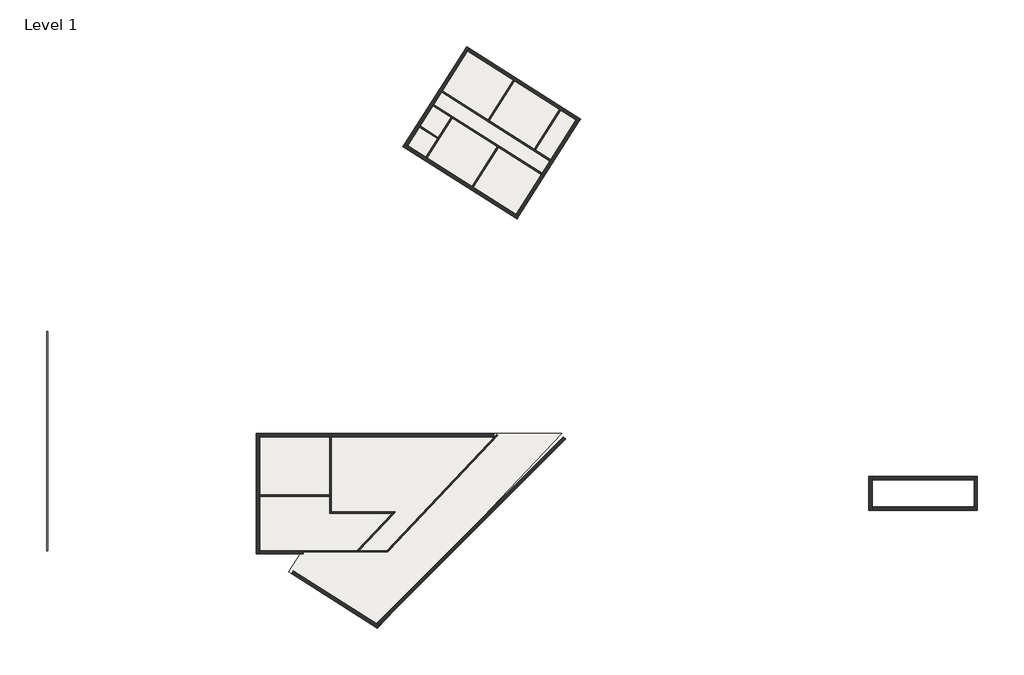
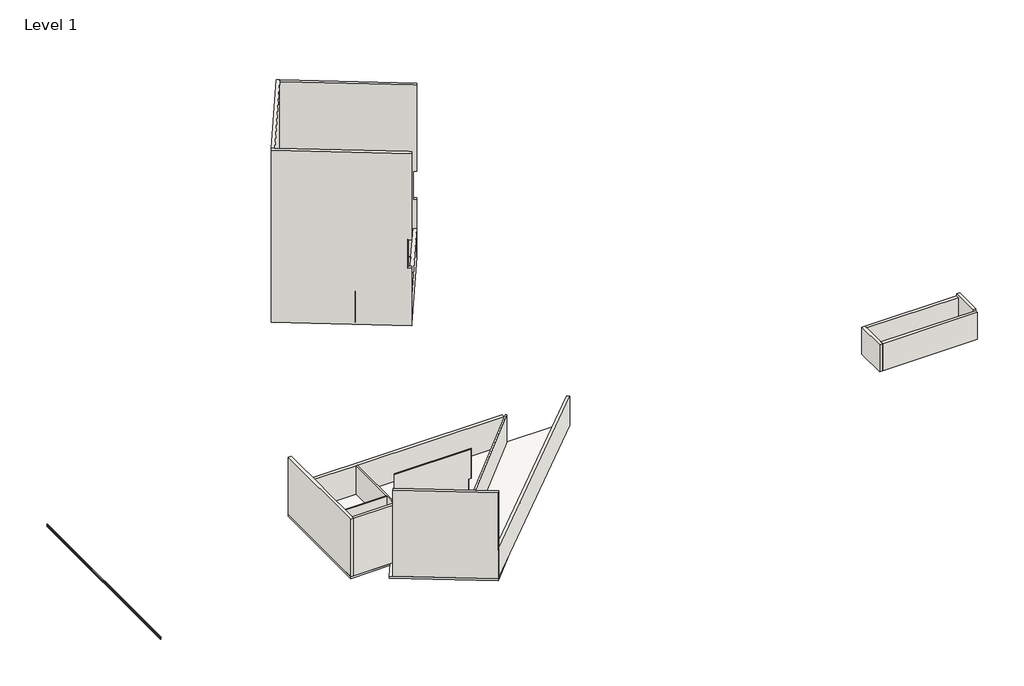
# One storey: 26 walls, 2 slabs, 1 beam.
"""IFC4 building model written with IfcOpenShell, lengths in millimetres."""

import ifcopenshell
import ifcopenshell.guid

model = None  # the IFC model being written
_history = None  # IfcOwnerHistory: only IFC2X3 demands one
_inside = {}  # id of a spatial element -> (the spatial element, [elements in it])
_under = {}  # id of a project, library or spatial element -> (it, [spatial elements below it])
_declared = {}  # id of a project -> (the project, [libraries it declares])
_typed = {}  # id of a type object -> (the type object, [elements of that type])
_made_of = {}  # id of a material, layer set ... -> (it, [elements and type objects made of it])


def new_model(schema):
    """Start an empty IFC model of exactly this schema.

    Asked for "IFC4X3", IfcOpenShell would pick the latest addendum, in which some entities
    have other attributes; the version numbers below select the first issue.
    IFC2X3 requires an IfcOwnerHistory on every rooted entity: one is made here for all.
    """
    global model, _history
    if schema == "IFC4X3":
        model = ifcopenshell.file(schema_version=(4, 3, 0, 0))
    else:
        model = ifcopenshell.file(schema=schema)
    _inside.clear()
    _under.clear()
    _declared.clear()
    _typed.clear()
    _made_of.clear()
    _history = None
    if model.schema == "IFC2X3":
        org = make("IfcOrganization", Name="unknown")
        user = make(
            "IfcPersonAndOrganization",
            ThePerson=make("IfcPerson", FamilyName="unknown"),
            TheOrganization=org,
        )
        app = make(
            "IfcApplication",
            ApplicationDeveloper=org,
            Version="unknown",
            ApplicationFullName="unknown",
            ApplicationIdentifier="unknown",
        )
        _history = make(
            "IfcOwnerHistory",
            OwningUser=user,
            OwningApplication=app,
            ChangeAction="ADDED",
            CreationDate=0,
        )
    return model


def make(cls, **values):
    """One entity of the class cls with the attributes given. An attribute that is None is left unset."""
    return model.create_entity(
        cls, **{name: value for name, value in values.items() if value is not None}
    )


def rooted(cls, **values):
    """An entity with a GlobalId (a new one), such as an element, a storey or a relation."""
    return make(cls, GlobalId=ifcopenshell.guid.new(), OwnerHistory=_history, **values)


def si_unit(unit_type, name, prefix=None):
    """IfcSIUnit, for example si_unit("LENGTHUNIT", "METRE", prefix="MILLI")."""
    return make("IfcSIUnit", UnitType=unit_type, Prefix=prefix, Name=name)


def assignment(units):
    """IfcUnitAssignment: the units of a project."""
    return None if units is None else make("IfcUnitAssignment", Units=units)


def point(xyz):
    """IfcCartesianPoint."""
    return None if xyz is None else make("IfcCartesianPoint", Coordinates=xyz)


def direction(xyz):
    """IfcDirection."""
    return None if xyz is None else make("IfcDirection", DirectionRatios=xyz)


def frame(location, z_axis=None, x_axis=None):
    """IfcAxis2Placement3D, a coordinate frame: its origin and axes. An axis left out is left unset."""
    return make(
        "IfcAxis2Placement3D",
        Location=point(location),
        Axis=direction(z_axis),
        RefDirection=direction(x_axis),
    )


def frame_2d(location, x_axis=None):
    """IfcAxis2Placement2D, a coordinate frame in the plane: its origin and x axis."""
    return make(
        "IfcAxis2Placement2D", Location=point(location), RefDirection=direction(x_axis)
    )


def origin():
    """The frame at (0, 0, 0) with its axes left unset."""
    return frame((0.0, 0.0, 0.0))


def origin_with_axes():
    """The frame at (0, 0, 0) with the z axis (0, 0, 1) and the x axis (1, 0, 0) written out."""
    return frame((0.0, 0.0, 0.0), z_axis=(0.0, 0.0, 1.0), x_axis=(1.0, 0.0, 0.0))


def place(relative_to, where):
    """IfcLocalPlacement: puts the frame where relative to a parent placement (None: the world)."""
    return make(
        "IfcLocalPlacement", PlacementRelTo=relative_to, RelativePlacement=where
    )


def context(
    kind, dimensions, precision=None, world=None, true_north=None, identifier=None
):
    """IfcGeometricRepresentationContext, for example the 3D "Model" context."""
    return make(
        "IfcGeometricRepresentationContext",
        ContextIdentifier=identifier,
        ContextType=kind,
        CoordinateSpaceDimension=dimensions,
        Precision=precision,
        WorldCoordinateSystem=world,
        TrueNorth=true_north,
    )


def project(units=None, contexts=None):
    """IfcProject with its units and contexts."""
    return rooted(
        "IfcProject",
        Name="project",
        RepresentationContexts=contexts,
        UnitsInContext=assignment(units),
    )


def spatial(cls, under=None, at=None, **own):
    """A site, building, storey or space (cls), placed at a placement, below another one or the project."""
    s = rooted(cls, ObjectPlacement=at, **own)
    if under is not None:
        _under.setdefault(under.id(), (under, []))[1].append(s)
    return s


def polyline(points):
    """IfcPolyline through the points."""
    return make("IfcPolyline", Points=[point(p) for p in points])


def circle_curve(where, radius):
    """IfcCircle in the frame where."""
    return make("IfcCircle", Position=where, Radius=radius)


def trimmed(basis, trim1, trim2, sense, master):
    """IfcTrimmedCurve: the piece of a basis curve between two trims."""
    return make(
        "IfcTrimmedCurve",
        BasisCurve=basis,
        Trim1=trim1,
        Trim2=trim2,
        SenseAgreement=sense,
        MasterRepresentation=master,
    )


def segment(curve, same_sense, transition):
    """IfcCompositeCurveSegment."""
    return make(
        "IfcCompositeCurveSegment",
        Transition=transition,
        SameSense=same_sense,
        ParentCurve=curve,
    )


def composite_curve(segments, self_intersect=None):
    """IfcCompositeCurve: segments joined end to end."""
    return make("IfcCompositeCurve", Segments=segments, SelfIntersect=self_intersect)


def outline(outer, holes=None, kind="AREA"):
    """IfcArbitraryClosedProfileDef: a profile drawn as a closed curve; with holes, ...WithVoids."""
    if holes is None:
        return make("IfcArbitraryClosedProfileDef", ProfileType=kind, OuterCurve=outer)
    return make(
        "IfcArbitraryProfileDefWithVoids",
        ProfileType=kind,
        OuterCurve=outer,
        InnerCurves=holes,
    )


def extrude(swept, where, along, depth):
    """IfcExtrudedAreaSolid: the profile swept, set in the frame where, extruded along a direction by depth."""
    return make(
        "IfcExtrudedAreaSolid",
        SweptArea=swept,
        Position=where,
        ExtrudedDirection=direction(along),
        Depth=depth,
    )


def faces_of(points, faces, orient=None, outer=None):
    """IfcFace entities. A face is a list of loops; a loop is a list of indices into points, from 0.

    orient and outer hold one flag for each loop. By default every Orientation is true, the
    first loop of a face is its IfcFaceOuterBound and the others are IfcFaceBound.
    """
    made = []
    for i, loops in enumerate(faces):
        bounds = []
        for j, loop in enumerate(loops):
            is_outer = j == 0 if outer is None else outer[i][j]
            bounds.append(
                make(
                    "IfcFaceOuterBound" if is_outer else "IfcFaceBound",
                    Bound=make("IfcPolyLoop", Polygon=[points[k] for k in loop]),
                    Orientation=True if orient is None else orient[i][j],
                )
            )
        made.append(make("IfcFace", Bounds=bounds))
    return made


def faceted_brep(points, faces, orient=None, outer=None, voids=None):
    """IfcFacetedBrep: a solid bounded by flat faces; with voids (closed shells), ...WithVoids."""
    shared = [point(p) for p in points]
    hull = make("IfcClosedShell", CfsFaces=faces_of(shared, faces, orient, outer))
    if voids is None:
        return make("IfcFacetedBrep", Outer=hull)
    return make(
        "IfcFacetedBrepWithVoids",
        Outer=hull,
        Voids=[
            make(cls, CfsFaces=faces_of(shared, fs, o, b)) for cls, fs, o, b in voids
        ],
    )


def shape(context_of_items, identifier, shape_type, items):
    """IfcShapeRepresentation: the items that make up one representation, for example the "Body"."""
    return make(
        "IfcShapeRepresentation",
        ContextOfItems=context_of_items,
        RepresentationIdentifier=identifier,
        RepresentationType=shape_type,
        Items=items,
    )


def source(mapping_origin, context_of_items, identifier, shape_type, items):
    """IfcRepresentationMap: a shape defined once, which mapped items show again and again."""
    return make(
        "IfcRepresentationMap",
        MappingOrigin=mapping_origin,
        MappedRepresentation=shape(context_of_items, identifier, shape_type, items),
    )


def transform(
    local_origin,
    x_axis=None,
    y_axis=None,
    z_axis=None,
    scale=None,
    scale2=None,
    scale3=None,
    uniform=True,
):
    """IfcCartesianTransformationOperator3D, or its non-uniform kind. x_axis, y_axis, z_axis: its Axis1, 2, 3."""
    if uniform:
        return make(
            "IfcCartesianTransformationOperator3D",
            Axis1=direction(x_axis),
            Axis2=direction(y_axis),
            LocalOrigin=point(local_origin),
            Scale=scale,
            Axis3=direction(z_axis),
        )
    return make(
        "IfcCartesianTransformationOperator3DnonUniform",
        Axis1=direction(x_axis),
        Axis2=direction(y_axis),
        LocalOrigin=point(local_origin),
        Scale=scale,
        Axis3=direction(z_axis),
        Scale2=scale2,
        Scale3=scale3,
    )


def mapped(mapping_source, mapping_target):
    """IfcMappedItem: shows the shape of a source again, moved by a transform."""
    return make(
        "IfcMappedItem", MappingSource=mapping_source, MappingTarget=mapping_target
    )


def made_of(thing, what):
    """Note that an element or type object is made of a material, layer set ...; save() writes the relation."""
    if what is not None:
        _made_of.setdefault(what.id(), (what, []))[1].append(thing)
    return thing


def element(
    cls,
    number,
    at=None,
    inside=None,
    cuts=None,
    type_object=None,
    material=None,
    context=None,
    identifier="Body",
    shape_type=None,
    held_by="IfcProductDefinitionShape",
    body=None,
    shapes=None,
    **own,
):
    """One element of the class cls, such as IfcWall. Its Tag is "e" and its number.

    at: its placement. inside: the storey or other place that contains it. cuts: it is an
    opening in that element (IfcRelVoidsElement). A single representation is given by context,
    identifier, shape_type and body (its items); several are given by shapes. held_by: the class
    of the entity that holds the representations. save() writes the other relations.
    """
    e = rooted(cls, Tag="e%d" % number, ObjectPlacement=at, **own)
    if body is not None:
        shapes = [shape(context, identifier, shape_type, body)]
    if shapes is not None:
        e.Representation = make(held_by, Representations=shapes)
    if inside is not None:
        _inside.setdefault(inside.id(), (inside, []))[1].append(e)
    if cuts is not None:
        rooted(
            "IfcRelVoidsElement", RelatingBuildingElement=cuts, RelatedOpeningElement=e
        )
    if type_object is not None:
        _typed.setdefault(type_object.id(), (type_object, []))[1].append(e)
    return made_of(e, material)


def aggregate(whole, parts):
    """IfcRelAggregates: a whole, such as a stair, and the parts it consists of."""
    return rooted("IfcRelAggregates", RelatingObject=whole, RelatedObjects=parts)


def save(model, path):
    """Write the relations noted so far, then the file.

    IfcRelAggregates (storeys below a building ...), IfcRelContainedInSpatialStructure (elements
    in a storey), IfcRelDefinesByType, IfcRelAssociatesMaterial and IfcRelDeclares: one each for
    every whole, place, type object, material and project.
    """
    for whole, parts in _under.values():
        aggregate(whole, parts)
    for where, things in _inside.values():
        rooted(
            "IfcRelContainedInSpatialStructure",
            RelatedElements=things,
            RelatingStructure=where,
        )
    for kind, things in _typed.values():
        rooted("IfcRelDefinesByType", RelatedObjects=things, RelatingType=kind)
    for what, things in _made_of.values():
        rooted("IfcRelAssociatesMaterial", RelatedObjects=things, RelatingMaterial=what)
    for by, libraries in _declared.values():
        rooted("IfcRelDeclares", RelatingContext=by, RelatedDefinitions=libraries)
    model.write(path)


def w_shapes_w12x26_640597d2(model_context):
    return source(origin(), model_context, "Body", "SweptSolid", [
        extrude(outline(composite_curve([segment(polyline([(82.423, -145.288), (82.423, -154.94), (-82.423, -154.94), (-82.423, -145.288), (-10.541, -145.288)]), True, "CONTINUOUS"), segment(trimmed(circle_curve(frame_2d((-10.541, -137.668)), 7.62), [point((-10.541, -145.288))], [point((-2.921, -137.668))], True, "CARTESIAN"), True, "CONTINUOUS"), segment(polyline([(-2.921, -137.668), (-2.921, 137.668)]), True, "CONTINUOUS"), segment(trimmed(circle_curve(frame_2d((-10.541, 137.668)), 7.62), [point((-2.921, 137.668))], [point((-10.541, 145.288))], True, "CARTESIAN"), True, "CONTINUOUS"), segment(polyline([(-10.541, 145.288), (-82.423, 145.288), (-82.423, 154.94), (82.423, 154.94), (82.423, 145.288), (10.541, 145.288)]), True, "CONTINUOUS"), segment(trimmed(circle_curve(frame_2d((10.541, 137.668)), 7.62), [point((10.541, 145.288))], [point((2.921, 137.668))], True, "CARTESIAN"), True, "CONTINUOUS"), segment(polyline([(2.921, 137.668), (2.921, -137.668)]), True, "CONTINUOUS"), segment(trimmed(circle_curve(frame_2d((10.541, -137.668)), 7.62), [point((2.921, -137.668))], [point((10.541, -145.288))], True, "CARTESIAN"), True, "CONTINUOUS"), segment(polyline([(10.541, -145.288), (82.423, -145.288)]), True, "CONTINUOUS")], self_intersect=False)), frame((-15849.6, 0.0, 0.0), z_axis=(1.0, 0.0, 0.0), x_axis=(0.0, 1.0, 0.0)), (0.0, 0.0, 1.0), 31699.2),
    ])


model = new_model("IFC4")

# Units and contexts
model_context = context("Model", 3, world=origin())
ifc_project = project(units=[si_unit("LENGTHUNIT", "METRE", prefix="MILLI")], contexts=[model_context])

# Site, building, storey
site = spatial("IfcSite", under=ifc_project)
building = spatial("IfcBuilding", under=site)
storey = spatial("IfcBuildingStorey", under=building, Name="Level 1", Elevation=0.0)

# Beam
placement = place(None, origin())
w_shapes_w12x26_shape = w_shapes_w12x26_640597d2(model_context)
element("IfcBeam", 1, ObjectType="W Shapes : W12X26", at=placement, inside=storey, context=model_context, shape_type="MappedRepresentation", body=[
    mapped(w_shapes_w12x26_shape, transform((490088.0067164, 202673.5327561, -154.94), x_axis=(0.0, 1.0, 0.0), y_axis=(-1.0, 0.0, 0.0), z_axis=(0.0, 0.0, 1.0))),
])

# Slabs
element("IfcSlab", 2, ObjectType="Generic - 12\"", at=placement, inside=storey, context=model_context, shape_type="SweptSolid", body=[
    extrude(outline(polyline([(564572.8631411, 203791.6888691), (537826.9452772, 175607.2697277), (525031.0852086, 183736.4621652), (526677.8876472, 186328.6327561), (520320.3567164, 186328.6327561), (520320.3567164, 203791.6888691), (564572.8631411, 203791.6888691)])), frame((0.0, 0.0, -304.8), z_axis=(0.0, 0.0, 1.0), x_axis=(1.0, 0.0, 0.0)), (0.0, 0.0, 1.0), 304.8),
])
element("IfcSlab", 3, ObjectType="Generic - 12\"", at=placement, inside=storey, context=model_context, shape_type="SweptSolid", body=[
    extrude(outline(polyline([(566597.0857134, 249163.9606719), (557934.5228164, 235528.5419613), (542257.7475302, 245487.9759046), (550920.3104272, 259123.3946153), (566597.0857134, 249163.9606719)])), frame((0.0, 0.0, -304.8), z_axis=(0.0, 0.0, 1.0), x_axis=(1.0, 0.0, 0.0)), (0.0, 0.0, 1.0), 304.8),
])

# Walls
element("IfcWall", 4, ObjectType="Generic - 191/2\" Exterior", at=placement, inside=storey, context=model_context, shape_type="Brep", body=[
    faceted_brep([(520320.3567164, 203791.6888691, 9753.6), (520320.3567164, 203791.6888691, 0.0), (520320.3567164, 186328.6327561, 0.0), (520320.3567164, 186328.6327561, 9753.6), (520815.6567164, 203791.6888691, 0.0), (520815.6567164, 203791.6888691, 4876.8), (520815.6567164, 203791.6888691, 9448.8), (520815.6567164, 203791.6888691, 9753.6), (520815.6567164, 194869.9843829, 9753.6), (520815.6567164, 194666.7843829, 9753.6), (520815.6567164, 186823.9327561, 9753.6), (520815.6567164, 186328.6327561, 9753.6), (520815.6567164, 186328.6327561, 0.0), (520815.6567164, 186823.9327561, 0.0), (520815.6567164, 194666.7843829, 0.0), (520815.6567164, 194869.9843829, 0.0), (520815.6567164, 203296.3888691, 0.0)], [[[0, 1, 2, 3]], [[4, 5, 6, 7, 8, 9, 10, 11, 12, 13, 14, 15, 16]], [[2, 1, 4, 16, 15, 14, 13, 12]], [[0, 3, 11, 10, 9, 8, 7]], [[3, 2, 12, 11]], [[0, 7, 6, 5, 4, 1]]]),
])
element("IfcWall", 5, ObjectType="Generic - 191/2\" Exterior", at=placement, inside=storey, context=model_context, shape_type="Brep", body=[
    faceted_brep([(520815.6567164, 186328.6327561, 0.0), (527152.8488787, 186328.6327561, 0.0), (527152.8488787, 186328.6327561, 4876.8), (527287.834606, 186328.6327561, 4876.8), (527287.834606, 186328.6327561, 9753.6), (526698.5006766, 186328.6327561, 9753.6), (520815.6567164, 186328.6327561, 9753.6), (520815.6567164, 186823.9327561, 0.0), (520815.6567164, 186823.9327561, 9753.6), (527579.3518401, 186823.9327561, 9753.6), (527607.1970807, 186823.9327561, 9753.6), (527607.1970807, 186823.9327561, 4876.8), (527247.0198648, 186823.9327561, 4876.8), (527152.8488787, 186823.9327561, 4876.8), (527152.8488787, 186823.9327561, 0.0), (527476.1765782, 186620.7327561, 9753.6), (527476.1765782, 186620.7327561, 4876.8)], [[[0, 1, 2, 3, 4, 5, 6]], [[7, 8, 9, 10, 11, 12, 13, 14]], [[1, 0, 7, 14]], [[6, 5, 4, 15, 10, 9, 8]], [[0, 6, 8, 7]], [[2, 1, 14, 13]], [[11, 16, 3, 2, 13, 12]], [[4, 3, 16, 11, 10, 15]]]),
])
element("IfcWall", 6, ObjectType="Generic - 191/2\" Exterior", at=placement, inside=storey, context=model_context, shape_type="Brep", body=[
    faceted_brep([(525449.1522918, 183470.8647179, 0.0), (537805.4137082, 175620.9487041, 0.0), (537805.4137082, 175620.9487041, 4876.8), (537853.9522279, 175590.1122488, 4876.8), (537853.9522279, 175590.1122488, 14630.4), (525449.1522918, 183470.8647179, 14630.4), (525449.1522918, 183470.8647179, 9753.6), (525714.7497391, 183888.931801, 0.0), (525714.7497391, 183888.931801, 14630.4), (537701.4825921, 176273.7767792, 14630.4), (538119.5496752, 176008.1793319, 14630.4), (538119.5496752, 176008.1793319, 9753.6), (538119.5496752, 176008.1793319, 4876.8), (538164.2477256, 175979.7827215, 4876.8), (538164.2477256, 175979.7827215, 0.0), (537735.9100737, 176251.9050471, 0.0), (537992.2210094, 175807.7560053, 4876.8)], [[[0, 1, 2, 3, 4, 5, 6]], [[7, 8, 9, 10, 11, 12, 13, 14, 15]], [[1, 0, 7, 15, 14]], [[5, 4, 10, 9, 8]], [[12, 16, 13]], [[2, 1, 14, 13, 16]], [[0, 6, 5, 8, 7]], [[3, 16, 12, 11, 10, 4]], [[16, 3, 2]]]),
])
element("IfcWall", 7, ObjectType="Generic - 191/2\" Exterior", at=placement, inside=storey, context=model_context, shape_type="Brep", body=[
    faceted_brep([(520815.6567164, 203296.3888691, 0.0), (530982.2372882, 203296.3888691, 0.0), (531185.4372882, 203296.3888691, 0.0), (554705.6067164, 203296.3888691, 0.0), (554705.6067164, 203296.3888691, 4876.8), (531185.4372882, 203296.3888691, 4876.8), (530982.2372882, 203296.3888691, 4876.8), (520815.6567164, 203296.3888691, 4876.8), (520815.6567164, 203791.6888691, 0.0), (520815.6567164, 203791.6888691, 4876.8), (554705.6067164, 203791.6888691, 4876.8), (554705.6067164, 203791.6888691, 0.0)], [[[0, 1, 2, 3, 4, 5, 6, 7]], [[8, 9, 10, 11]], [[3, 2, 1, 0, 8, 11]], [[4, 3, 11, 10]], [[7, 6, 5, 4, 10, 9]], [[0, 7, 9, 8]]]),
])
element("IfcWall", 8, ObjectType="Generic - 191/2\" Exterior", at=placement, inside=storey, context=model_context, shape_type="Brep", body=[
    faceted_brep([(608948.2255041, 197556.494497, 0.0), (608948.2255041, 192641.594497, 0.0), (608948.2255041, 192641.594497, 4572.0), (608948.2255041, 197556.494497, 4572.0), (609443.5255041, 197556.494497, 0.0), (609443.5255041, 197556.494497, 4572.0), (609443.5255041, 197061.194497, 4572.0), (609443.5255041, 193136.894497, 4572.0), (609443.5255041, 192641.594497, 4572.0), (609443.5255041, 192641.594497, 0.0), (609443.5255041, 193136.894497, 0.0), (609443.5255041, 197061.194497, 0.0)], [[[0, 1, 2, 3]], [[4, 5, 6, 7, 8, 9, 10, 11]], [[1, 0, 4, 11, 10, 9]], [[2, 1, 9, 8]], [[0, 3, 5, 4]], [[3, 2, 8, 7, 6, 5]]]),
])
element("IfcWall", 9, ObjectType="Generic - 191/2\" Exterior", at=placement, inside=storey, context=model_context, shape_type="Brep", body=[
    faceted_brep([(609443.5255041, 192641.594497, 0.0), (624684.5803609, 192641.594497, 0.0), (624684.5803609, 192641.594497, 4572.0), (609443.5255041, 192641.594497, 4572.0), (609443.5255041, 193136.894497, 0.0), (609443.5255041, 193136.894497, 4572.0), (624684.5803609, 193136.894497, 4572.0), (624684.5803609, 193136.894497, 0.0), (624189.2803609, 193136.894497, 0.0)], [[[0, 1, 2, 3]], [[4, 5, 6, 7, 8]], [[1, 0, 4, 8, 7]], [[0, 3, 5, 4]], [[2, 1, 7, 6]], [[3, 2, 6, 5]]]),
])
element("IfcWall", 10, ObjectType="Generic - 191/2\" Exterior", at=placement, inside=storey, context=model_context, shape_type="Brep", body=[
    faceted_brep([(624684.5803609, 193136.894497, 0.0), (624684.5803609, 197556.494497, 0.0), (624684.5803609, 197556.494497, 4876.8), (624684.5803609, 193136.894497, 4876.8), (624684.5803609, 193136.894497, 4572.0), (624189.2803609, 193136.894497, 0.0), (624189.2803609, 193136.894497, 4876.8), (624189.2803609, 197556.494497, 4876.8), (624189.2803609, 197556.494497, 4572.0), (624189.2803609, 197556.494497, 0.0), (624189.2803609, 197061.194497, 0.0)], [[[0, 1, 2, 3, 4]], [[5, 6, 7, 8, 9, 10]], [[1, 0, 5, 10, 9]], [[3, 2, 7, 6]], [[0, 4, 3, 6, 5]], [[2, 1, 9, 8, 7]]]),
])
element("IfcWall", 11, ObjectType="Generic - 191/2\" Exterior", at=placement, inside=storey, context=model_context, shape_type="SweptSolid", body=[
    extrude(outline(polyline([(609443.5255041, 197556.494497), (624189.2803609, 197556.494497), (624189.2803609, 197061.194497), (609443.5255041, 197061.194497), (609443.5255041, 197556.494497)])), origin_with_axes(), (0.0, 0.0, 1.0), 4572.0),
])
element("IfcWall", 12, ObjectType="Generic - 191/2\" Exterior", at=placement, inside=storey, context=model_context, shape_type="Brep", body=[
    faceted_brep([(558352.5898995, 235262.944514, 9753.6), (558352.5898995, 235262.944514, 4876.8), (558352.5898995, 235262.944514, 0.0), (557934.5228164, 235528.5419613, 0.0), (551749.2739201, 239458.0221433, 0.0), (551577.7592193, 239566.9851986, 0.0), (545060.2005903, 243707.5813004, 0.0), (544888.6858896, 243816.5443557, 0.0), (542257.7475302, 245487.9759046, 0.0), (541839.6804471, 245753.5733519, 0.0), (541839.6804471, 245753.5733519, 29260.8), (542257.7475302, 245487.9759046, 29260.8), (557934.5228164, 235528.5419613, 29260.8), (558352.5898995, 235262.944514, 29260.8), (558352.5898995, 235262.944514, 24384.0), (558352.5898995, 235262.944514, 19507.2), (558352.5898995, 235262.944514, 14630.4), (557934.5228164, 235528.5419613, 14630.4), (557934.5228164, 235528.5419613, 9753.6), (558086.9924521, 234844.8774308, 0.0), (558086.9924521, 234844.8774308, 9753.6), (557668.925369, 235110.4748782, 9753.6), (557668.925369, 235110.4748782, 14630.4), (558086.9924521, 234844.8774308, 14630.4), (558086.9924521, 234844.8774308, 29260.8), (541574.0829998, 245335.5062688, 29260.8), (541574.0829998, 245335.5062688, 0.0)], [[[0, 1, 2, 3, 4, 5, 6, 7, 8, 9, 10, 11, 12, 13, 14, 15, 16, 17, 18]], [[19, 20, 21, 22, 23, 24, 25, 26]], [[9, 8, 7, 6, 5, 4, 3, 2, 19, 26]], [[13, 12, 11, 10, 25, 24]], [[10, 9, 26, 25]], [[18, 21, 20, 0]], [[0, 20, 19, 2, 1]], [[16, 23, 22, 17]], [[18, 17, 22, 21]], [[13, 24, 23, 16, 15, 14]]]),
])
element("IfcWall", 13, ObjectType="Generic - 191/2\" Exterior", at=placement, inside=storey, context=model_context, shape_type="Brep", body=[
    faceted_brep([(542257.7475302, 245487.9759046, 0.0), (543943.1708927, 248140.9382583, 0.0), (544052.133948, 248312.4529591, 0.0), (545908.009883, 251233.7183802, 0.0), (546016.9729383, 251405.233081, 0.0), (547161.0850191, 253206.137439, 0.0), (547270.0480744, 253377.6521397, 0.0), (550920.3104272, 259123.3946153, 0.0), (551185.9078745, 259541.4616984, 0.0), (551185.9078745, 259541.4616984, 29260.8), (550920.3104272, 259123.3946153, 29260.8), (542257.7475302, 245487.9759046, 29260.8), (541839.6804471, 245753.5733519, 0.0), (541839.6804471, 245753.5733519, 29260.8), (550767.8407914, 259807.0591457, 29260.8), (550767.8407914, 259807.0591457, 0.0)], [[[0, 1, 2, 3, 4, 5, 6, 7, 8, 9, 10, 11]], [[12, 13, 14, 15]], [[8, 7, 6, 5, 4, 3, 2, 1, 0, 12, 15]], [[11, 10, 9, 14, 13]], [[0, 11, 13, 12]], [[9, 8, 15, 14]]]),
])
element("IfcWall", 14, ObjectType="Generic - 191/2\" Exterior", at=placement, inside=storey, context=model_context, shape_type="Brep", body=[
    faceted_brep([(550920.3104272, 259123.3946153, 0.0), (557523.6264066, 254928.3169859, 0.0), (557695.1411074, 254819.3539306, 0.0), (564212.6997364, 250678.7578289, 0.0), (564384.2144371, 250569.7947736, 0.0), (566597.0857134, 249163.9606719, 0.0), (567015.1527965, 248898.3632246, 0.0), (567015.1527965, 248898.3632246, 4876.8), (567015.1527965, 248898.3632246, 9753.6), (566597.0857134, 249163.9606719, 9753.6), (566597.0857134, 249163.9606719, 14630.4), (567015.1527965, 248898.3632246, 14630.4), (567015.1527965, 248898.3632246, 19507.2), (567015.1527965, 248898.3632246, 24384.0), (567015.1527965, 248898.3632246, 29260.8), (566597.0857134, 249163.9606719, 29260.8), (550920.3104272, 259123.3946153, 29260.8), (551185.9078745, 259541.4616984, 0.0), (551185.9078745, 259541.4616984, 29260.8), (567280.7502438, 249316.4303077, 29260.8), (567280.7502438, 249316.4303077, 14630.4), (566862.6831607, 249582.027755, 14630.4), (566862.6831607, 249582.027755, 9753.6), (567280.7502438, 249316.4303077, 9753.6), (567280.7502438, 249316.4303077, 0.0)], [[[0, 1, 2, 3, 4, 5, 6, 7, 8, 9, 10, 11, 12, 13, 14, 15, 16]], [[17, 18, 19, 20, 21, 22, 23, 24]], [[6, 5, 4, 3, 2, 1, 0, 17, 24]], [[16, 15, 14, 19, 18]], [[0, 16, 18, 17]], [[22, 9, 8, 23]], [[6, 24, 23, 8, 7]], [[20, 11, 10, 21]], [[10, 9, 22, 21]], [[11, 20, 19, 14, 13, 12]]]),
])
element("IfcWall", 15, ObjectType="Generic - 191/2\" Exterior", at=placement, inside=storey, context=model_context, shape_type="Brep", body=[
    faceted_brep([(538164.2477256, 175979.7827215, 0.0), (565142.4646452, 202957.9996411, 0.0), (565142.4646452, 202957.9996411, 4876.8), (538164.2477256, 175979.7827215, 4876.8), (537735.9100737, 176251.9050471, 0.0), (537735.9100737, 176251.9050471, 4876.8), (564792.2346565, 203308.2296299, 4876.8), (564792.2346565, 203308.2296299, 0.0), (538119.5496752, 176008.1793319, 4876.8)], [[[0, 1, 2, 3]], [[4, 5, 6, 7]], [[1, 0, 4, 7]], [[2, 1, 7, 6]], [[3, 2, 6, 5, 8]], [[0, 3, 8, 5, 4]]]),
])
element("IfcWall", 16, ObjectType="Generic - 191/2\" Exterior", at=placement, inside=storey, context=model_context, shape_type="Brep", body=[
    faceted_brep([(558352.5898995, 235262.944514, 0.0), (567015.1527965, 248898.3632246, 0.0), (567015.1527965, 248898.3632246, 4876.8), (558352.5898995, 235262.944514, 4876.8), (557934.5228164, 235528.5419613, 0.0), (557934.5228164, 235528.5419613, 4876.8), (561584.7851692, 241274.2844368, 4876.8), (561693.7482245, 241445.7991376, 4876.8), (562837.8603052, 243246.7034956, 4876.8), (562946.8233605, 243418.2181964, 4876.8), (566597.0857134, 249163.9606719, 4876.8), (566597.0857134, 249163.9606719, 0.0), (562946.8233605, 243418.2181964, 0.0), (562837.8603052, 243246.7034956, 0.0), (561693.7482245, 241445.7991376, 0.0), (561584.7851692, 241274.2844368, 0.0)], [[[0, 1, 2, 3]], [[4, 5, 6, 7, 8, 9, 10, 11, 12, 13, 14, 15]], [[1, 0, 4, 15, 14, 13, 12, 11]], [[3, 2, 10, 9, 8, 7, 6, 5]], [[2, 1, 11, 10]], [[0, 3, 5, 4]]]),
])
element("IfcWall", 17, ObjectType="Generic - 8\"", at=placement, inside=storey, context=model_context, shape_type="SweptSolid", body=[
    extrude(outline(polyline([(530982.2372882, 194666.7843829), (520815.6567164, 194666.7843829), (520815.6567164, 194869.9843829), (530982.2372882, 194869.9843829), (530982.2372882, 194666.7843829)])), origin_with_axes(), (0.0, 0.0, 1.0), 4876.8),
])
element("IfcWall", 18, ObjectType="Generic - 8\"", at=placement, inside=storey, context=model_context, shape_type="Brep", body=[
    faceted_brep([(531185.4372882, 192238.6132171, 0.0), (531185.4372882, 192441.8132171, 0.0), (531185.4372882, 203296.3888691, 0.0), (531185.4372882, 203296.3888691, 4876.8), (531185.4372882, 192441.8132171, 4876.8), (531185.4372882, 192238.6132171, 4876.8), (530982.2372882, 192238.6132171, 0.0), (530982.2372882, 192238.6132171, 4876.8), (530982.2372882, 194666.7843829, 4876.8), (530982.2372882, 194869.9843829, 4876.8), (530982.2372882, 203296.3888691, 4876.8), (530982.2372882, 203296.3888691, 0.0), (530982.2372882, 194869.9843829, 0.0), (530982.2372882, 194666.7843829, 0.0)], [[[0, 1, 2, 3, 4, 5]], [[6, 7, 8, 9, 10, 11, 12, 13]], [[2, 1, 0, 6, 13, 12, 11]], [[5, 4, 3, 10, 9, 8, 7]], [[0, 5, 7, 6]], [[3, 2, 11, 10]]]),
])
element("IfcWall", 19, ObjectType="Generic - 8\"", at=placement, inside=storey, context=model_context, shape_type="Brep", body=[
    faceted_brep([(531185.4372882, 192238.6132171, 0.0), (539997.827303, 192238.6132171, 0.0), (540277.3077996, 192238.6132171, 0.0), (540277.3077996, 192238.6132171, 4876.8), (539997.827303, 192238.6132171, 4876.8), (531185.4372882, 192238.6132171, 4876.8), (531185.4372882, 192441.8132171, 0.0), (531185.4372882, 192441.8132171, 4876.8), (540469.1908575, 192441.8132171, 4876.8), (540469.1908575, 192441.8132171, 0.0)], [[[0, 1, 2, 3, 4, 5]], [[6, 7, 8, 9]], [[2, 1, 0, 6, 9]], [[5, 4, 3, 8, 7]], [[0, 5, 7, 6]], [[3, 2, 9, 8]]]),
])
element("IfcWall", 20, ObjectType="Generic - 8\"", at=placement, inside=storey, context=model_context, shape_type="SweptSolid", body=[
    extrude(outline(polyline([(534884.7099566, 186823.9327561), (539997.827303, 192238.6132171), (540277.3077996, 192238.6132171), (535164.1904532, 186823.9327561), (534884.7099566, 186823.9327561)])), origin_with_axes(), (0.0, 0.0, 1.0), 4876.8),
])
element("IfcWall", 21, ObjectType="Generic - 8\"", at=placement, inside=storey, context=model_context, shape_type="Brep", body=[
    faceted_brep([(527247.0198648, 186620.7327561, 0.0), (539341.8135357, 186620.7327561, 0.0), (539341.8135357, 186620.7327561, 9753.6), (539869.8020529, 186620.7327561, 9753.6), (539869.8020529, 186620.7327561, 14630.4), (527450.2591574, 186620.7327561, 14630.4), (527450.2591574, 186620.7327561, 9753.6), (527476.1765782, 186620.7327561, 9753.6), (527476.1765782, 186620.7327561, 4876.8), (527247.0198648, 186620.7327561, 4876.8), (527247.0198648, 186823.9327561, 0.0), (527247.0198648, 186823.9327561, 4876.8), (527607.1970807, 186823.9327561, 4876.8), (527607.1970807, 186823.9327561, 9753.6), (527579.3518401, 186823.9327561, 9753.6), (527579.3518401, 186823.9327561, 14630.4), (539998.8947356, 186823.9327561, 14630.4), (539998.8947356, 186823.9327561, 9753.6), (539533.6965937, 186823.9327561, 9753.6), (539533.6965937, 186823.9327561, 4876.8), (539533.6965937, 186823.9327561, 0.0), (539254.2160972, 186823.9327561, 0.0), (535164.1904532, 186823.9327561, 0.0), (534884.7099566, 186823.9327561, 0.0)], [[[0, 1, 2, 3, 4, 5, 6, 7, 8, 9]], [[10, 11, 12, 13, 14, 15, 16, 17, 18, 19, 20, 21, 22, 23]], [[4, 3, 17, 16]], [[1, 0, 10, 23, 22, 21, 20]], [[5, 4, 16, 15]], [[3, 2, 18, 17]], [[2, 1, 20, 19, 18]], [[0, 9, 11, 10]], [[8, 12, 11, 9]], [[6, 14, 13, 7]], [[8, 7, 13, 12]], [[6, 5, 15, 14]]]),
])
element("IfcWall", 22, ObjectType="Generic - 8\"", at=placement, inside=storey, context=model_context, shape_type="Brep", body=[
    faceted_brep([(555108.9897233, 203613.7944296, 0.0), (539254.2160972, 186823.9327561, 0.0), (539254.2160972, 186823.9327561, 4876.8), (555108.9897233, 203613.7944296, 4876.8), (555256.7289771, 203474.2833086, 0.0), (555256.7289771, 203474.2833086, 4876.8), (539533.6965937, 186823.9327561, 4876.8), (539533.6965937, 186823.9327561, 0.0), (539272.6663086, 186823.9327561, 4876.8), (539512.2753601, 186823.9327561, 4876.8)], [[[0, 1, 2, 3]], [[4, 5, 6, 7]], [[1, 0, 4, 7]], [[3, 2, 8, 9, 6, 5]], [[0, 3, 5, 4]], [[2, 1, 7, 6, 9, 8]]]),
])
element("IfcWall", 23, ObjectType="Generic - 8\"", at=placement, inside=storey, context=model_context, shape_type="Brep", body=[
    faceted_brep([(545908.009883, 251233.7183802, 0.0), (548538.9482424, 249562.2868312, 0.0), (548710.4629432, 249453.3237759, 0.0), (555228.0215722, 245312.7276742, 0.0), (555399.5362729, 245203.7646189, 0.0), (561584.7851692, 241274.2844368, 0.0), (561584.7851692, 241274.2844368, 4876.8), (555399.5362729, 245203.7646189, 4876.8), (555228.0215722, 245312.7276742, 4876.8), (548710.4629432, 249453.3237759, 4876.8), (548538.9482424, 249562.2868312, 4876.8), (545908.009883, 251233.7183802, 4876.8), (546016.9729383, 251405.233081, 0.0), (546016.9729383, 251405.233081, 4876.8), (561693.7482245, 241445.7991376, 4876.8), (561693.7482245, 241445.7991376, 0.0)], [[[0, 1, 2, 3, 4, 5, 6, 7, 8, 9, 10, 11]], [[12, 13, 14, 15]], [[5, 4, 3, 2, 1, 0, 12, 15]], [[11, 10, 9, 8, 7, 6, 14, 13]], [[0, 11, 13, 12]], [[6, 5, 15, 14]]]),
])
element("IfcWall", 24, ObjectType="Generic - 8\"", at=placement, inside=storey, context=model_context, shape_type="Brep", body=[
    faceted_brep([(562946.8233605, 243418.2181964, 0.0), (560733.9520843, 244824.052298, 0.0), (560562.4373835, 244933.0153533, 0.0), (554044.8787545, 249073.611455, 0.0), (553873.3640538, 249182.5745103, 0.0), (547270.0480744, 253377.6521397, 0.0), (547270.0480744, 253377.6521397, 4876.8), (553873.3640538, 249182.5745103, 4876.8), (554044.8787545, 249073.611455, 4876.8), (560562.4373835, 244933.0153533, 4876.8), (560733.9520843, 244824.052298, 4876.8), (562946.8233605, 243418.2181964, 4876.8), (562837.8603052, 243246.7034956, 0.0), (562837.8603052, 243246.7034956, 4876.8), (547161.0850191, 253206.137439, 4876.8), (547161.0850191, 253206.137439, 0.0)], [[[0, 1, 2, 3, 4, 5, 6, 7, 8, 9, 10, 11]], [[12, 13, 14, 15]], [[5, 4, 3, 2, 1, 0, 12, 15]], [[11, 10, 9, 8, 7, 6, 14, 13]], [[6, 5, 15, 14]], [[0, 11, 13, 12]]]),
])
element("IfcWall", 25, ObjectType="Generic - 8\"", at=placement, inside=storey, context=model_context, shape_type="Brep", body=[
    faceted_brep([(548538.9482424, 249562.2868312, 0.0), (546683.0723074, 246641.0214101, 0.0), (546574.1092521, 246469.5067094, 0.0), (544888.6858896, 243816.5443557, 0.0), (544888.6858896, 243816.5443557, 4876.8), (546574.1092521, 246469.5067094, 4876.8), (546683.0723074, 246641.0214101, 4876.8), (548538.9482424, 249562.2868312, 4876.8), (548710.4629432, 249453.3237759, 0.0), (548710.4629432, 249453.3237759, 4876.8), (545060.2005903, 243707.5813004, 4876.8), (545060.2005903, 243707.5813004, 0.0)], [[[0, 1, 2, 3, 4, 5, 6, 7]], [[8, 9, 10, 11]], [[3, 2, 1, 0, 8, 11]], [[7, 6, 5, 4, 10, 9]], [[0, 7, 9, 8]], [[4, 3, 11, 10]]]),
])
element("IfcWall", 26, ObjectType="Generic - 8\"", at=placement, inside=storey, context=model_context, shape_type="SweptSolid", body=[
    extrude(outline(polyline([(544052.133948, 248312.4529591), (546683.0723074, 246641.0214101), (546574.1092521, 246469.5067094), (543943.1708927, 248140.9382583), (544052.133948, 248312.4529591)])), origin_with_axes(), (0.0, 0.0, 1.0), 4876.8),
])
element("IfcWall", 27, ObjectType="Generic - 8\"", at=placement, inside=storey, context=model_context, shape_type="SweptSolid", body=[
    extrude(outline(polyline([(555399.5362729, 245203.7646189), (551749.2739201, 239458.0221433), (551577.7592193, 239566.9851986), (555228.0215722, 245312.7276742), (555399.5362729, 245203.7646189)])), origin_with_axes(), (0.0, 0.0, 1.0), 4876.8),
])
element("IfcWall", 28, ObjectType="Generic - 8\"", at=placement, inside=storey, context=model_context, shape_type="SweptSolid", body=[
    extrude(outline(polyline([(557695.1411074, 254819.3539306), (554044.8787545, 249073.611455), (553873.3640538, 249182.5745103), (557523.6264066, 254928.3169859), (557695.1411074, 254819.3539306)])), origin_with_axes(), (0.0, 0.0, 1.0), 4876.8),
])
element("IfcWall", 29, ObjectType="Generic - 8\"", at=placement, inside=storey, context=model_context, shape_type="SweptSolid", body=[
    extrude(outline(polyline([(564384.2144371, 250569.7947736), (560733.9520843, 244824.052298), (560562.4373835, 244933.0153533), (564212.6997364, 250678.7578289), (564384.2144371, 250569.7947736)])), origin_with_axes(), (0.0, 0.0, 1.0), 4876.8),
])

save(model, "model.ifc")
